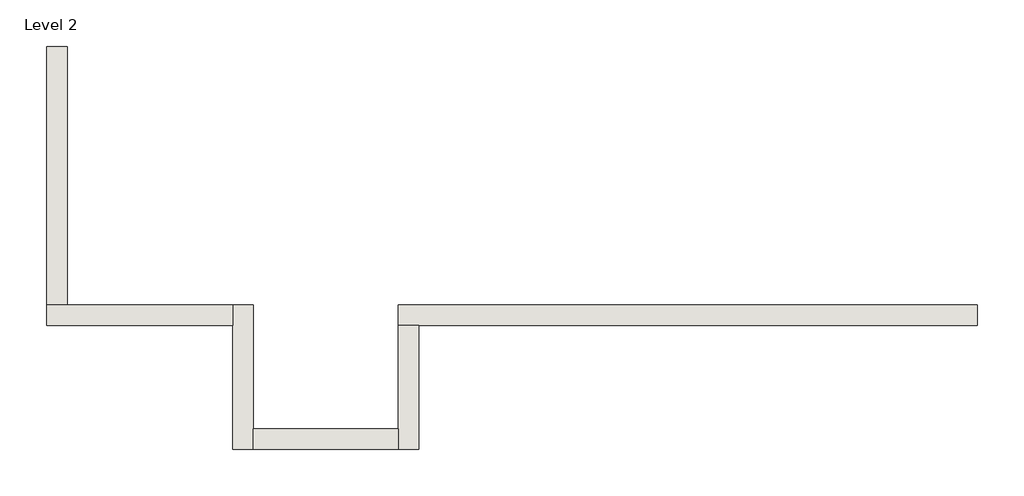
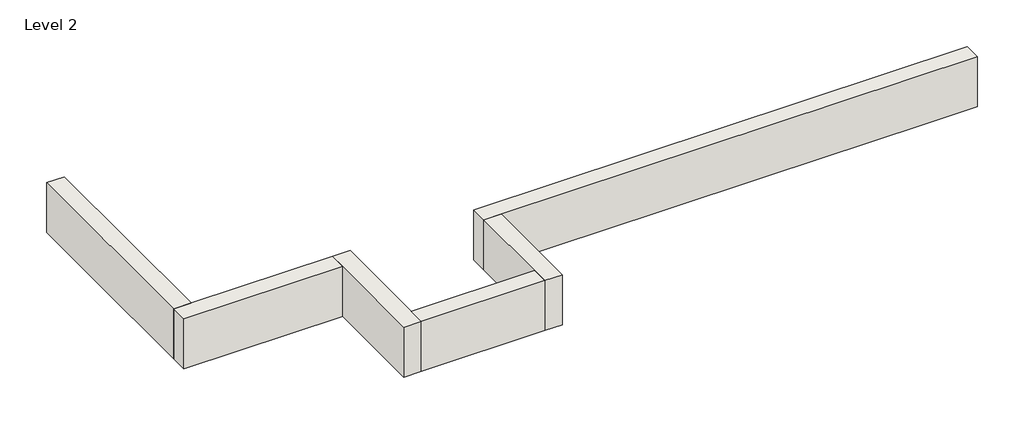
# One storey: 6 walls.
"""IFC4 building model written with IfcOpenShell, lengths in millimetres."""

from ifc_helpers import new_model, si_unit, frame, origin, place, context, project, spatial, polyline, outline, extrude, faceted_brep, element, save

model = new_model("IFC4")

# Units and contexts
model_context = context("Model", 3, world=origin())
ifc_project = project(units=[si_unit("LENGTHUNIT", "METRE", prefix="MILLI")], contexts=[model_context])

# Site, building, storey
site = spatial("IfcSite", under=ifc_project)
building = spatial("IfcBuilding", under=site)
storey = spatial("IfcBuildingStorey", under=building, Name="Level 2", Elevation=3048.0)

# Walls
placement = place(None, origin())
element("IfcWall", 1, ObjectType="Generic - 8\" Brick", at=placement, inside=storey, context=model_context, shape_type="Brep", body=[
    faceted_brep([(7315.157857, 1422.3976187, 3048.0), (6705.557857, 1422.3976187, 3048.0), (4876.757857, 1422.3976187, 3048.0), (3657.557857, 1422.3976187, 3048.0), (1625.5602383, 1422.3976187, 3048.0), (1625.5602383, 1422.3976187, 3657.6), (7315.157857, 1422.3976187, 3657.6), (7315.157857, 1219.1976187, 3048.0), (7315.157857, 1219.1976187, 3657.6), (1828.7602383, 1219.1976187, 3657.6), (1625.5602383, 1219.1976187, 3657.6), (1625.5602383, 1219.1976187, 3048.0), (1828.7602383, 1219.1976187, 3048.0), (3657.557857, 1219.1976187, 3048.0), (4876.757857, 1219.1976187, 3048.0), (6705.557857, 1219.1976187, 3048.0)], [[[0, 1, 2, 3, 4, 5, 6]], [[7, 8, 9, 10, 11, 12, 13, 14, 15]], [[4, 3, 2, 1, 0, 7, 15, 14, 13, 12, 11]], [[6, 5, 10, 9, 8]], [[0, 6, 8, 7]], [[5, 4, 11, 10]]]),
])
element("IfcWall", 2, ObjectType="Generic - 8\" Brick", at=placement, inside=storey, context=model_context, shape_type="Brep", body=[
    faceted_brep([(1625.5602383, 1219.1976187, 3048.0), (1625.5602383, 203.2, 3048.0), (1625.5602383, 0.0, 3048.0), (1625.5602383, 0.0, 3657.6), (1625.5602383, 203.2, 3657.6), (1625.5602383, 1219.1976187, 3657.6), (1828.7602383, 1219.1976187, 3048.0), (1828.7602383, 1219.1976187, 3657.6), (1828.7602383, 0.0, 3657.6), (1828.7602383, 0.0, 3048.0)], [[[0, 1, 2, 3, 4, 5]], [[6, 7, 8, 9]], [[2, 1, 0, 6, 9]], [[5, 4, 3, 8, 7]], [[0, 5, 7, 6]], [[3, 2, 9, 8]]]),
])
element("IfcWall", 3, ObjectType="Generic - 8\" Brick", at=placement, inside=storey, context=model_context, shape_type="SweptSolid", body=[
    extrude(outline(polyline([(203.157857, 203.2), (1625.5602383, 203.2), (1625.5602383, 0.0), (203.157857, 0.0), (203.157857, 203.2)])), frame((0.0, 0.0, 3048.0), z_axis=(0.0, 0.0, 1.0), x_axis=(1.0, 0.0, 0.0)), (0.0, 0.0, 1.0), 609.6),
])
element("IfcWall", 4, ObjectType="Generic - 8\" Brick", at=placement, inside=storey, context=model_context, shape_type="Brep", body=[
    faceted_brep([(203.157857, 0.0, 3048.0), (203.157857, 203.2, 3048.0), (203.157857, 1422.3976187, 3048.0), (203.157857, 1422.3976187, 3657.6), (203.157857, 203.2, 3657.6), (203.157857, 0.0, 3657.6), (-0.042143, 0.0, 3048.0), (-0.042143, 0.0, 3657.6), (-0.042143, 1219.1976187, 3657.6), (-0.042143, 1422.3976187, 3657.6), (-0.042143, 1422.3976187, 3048.0), (-0.042143, 1219.1976187, 3048.0)], [[[0, 1, 2, 3, 4, 5]], [[6, 7, 8, 9, 10, 11]], [[2, 1, 0, 6, 11, 10]], [[5, 4, 3, 9, 8, 7]], [[0, 5, 7, 6]], [[3, 2, 10, 9]]]),
])
element("IfcWall", 5, ObjectType="Generic - 8\" Brick", at=placement, inside=storey, context=model_context, shape_type="Brep", body=[
    faceted_brep([(-0.042143, 1422.3976187, 3048.0), (-1625.610393, 1422.3976187, 3048.0), (-1828.810393, 1422.3976187, 3048.0), (-1828.810393, 1422.3976187, 3657.6), (-1625.610393, 1422.3976187, 3657.6), (-0.042143, 1422.3976187, 3657.6), (-0.042143, 1219.1976187, 3048.0), (-0.042143, 1219.1976187, 3657.6), (-1828.810393, 1219.1976187, 3657.6), (-1828.810393, 1219.1976187, 3048.0)], [[[0, 1, 2, 3, 4, 5]], [[6, 7, 8, 9]], [[2, 1, 0, 6, 9]], [[5, 4, 3, 8, 7]], [[0, 5, 7, 6]], [[3, 2, 9, 8]]]),
])
element("IfcWall", 6, ObjectType="Generic - 8\" Brick", at=placement, inside=storey, context=model_context, shape_type="Brep", body=[
    faceted_brep([(-1625.610393, 1422.3976187, 3048.0), (-1625.610393, 3047.96825, 3048.0), (-1625.610393, 3962.36825, 3048.0), (-1625.610393, 3962.36825, 3657.6), (-1625.610393, 1422.3976187, 3657.6), (-1828.810393, 1422.3976187, 3048.0), (-1828.810393, 1422.3976187, 3657.6), (-1828.810393, 3962.36825, 3657.6), (-1828.810393, 3962.36825, 3048.0), (-1828.810393, 3047.96825, 3048.0)], [[[0, 1, 2, 3, 4]], [[5, 6, 7, 8, 9]], [[2, 1, 0, 5, 9, 8]], [[3, 2, 8, 7]], [[4, 3, 7, 6]], [[0, 4, 6, 5]]]),
])

save(model, "model.ifc")
